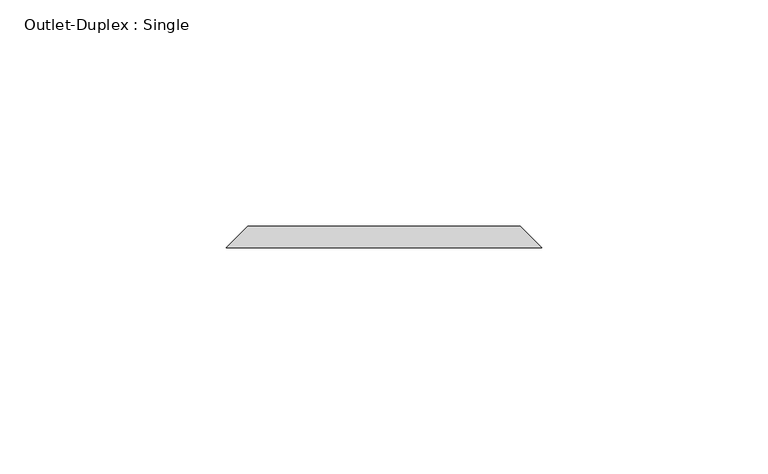
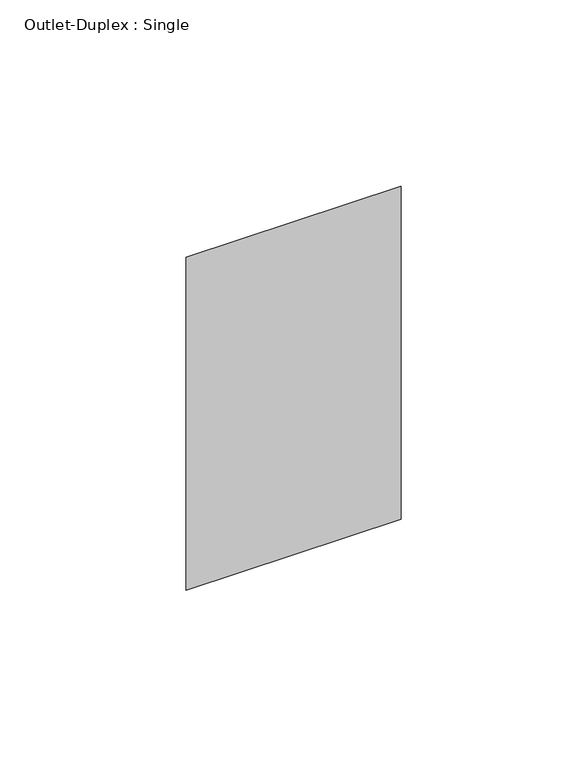
"""IFC4 building model written with IfcOpenShell, lengths in millimetres: proxy geometry, Outlet-Duplex : Single."""

from ifc_helpers import new_model, si_unit, origin, place, context, project, spatial, faceted_brep, source, transform, mapped, element, save


def outlet_duplex_single_37717675(model_context):
    return source(origin(), model_context, "Body", "Brep", [
        faceted_brep([(-30.1625, 68.2625, 357.1875), (30.1625, 68.2625, 357.1875), (30.1625, 68.2625, 252.4125), (-30.1625, 68.2625, 252.4125), (-34.925, 63.5, 361.95), (-34.925, 63.5, 247.65), (34.925, 63.5, 247.65), (34.925, 63.5, 361.95)], [[[0, 1, 2, 3]], [[4, 5, 6, 7]], [[4, 7, 1, 0]], [[7, 6, 2, 1]], [[6, 5, 3, 2]], [[5, 4, 0, 3]]]),
    ])


if __name__ == "__main__":
    model = new_model("IFC4")
    model_context = context("Model", 3, world=origin())
    ifc_project = project(units=[si_unit("LENGTHUNIT", "METRE", prefix="MILLI")], contexts=[model_context])
    site = spatial("IfcSite", under=ifc_project)
    building = spatial("IfcBuilding", under=site)
    placement = place(None, origin())
    outlet_duplex_single_shape = outlet_duplex_single_37717675(model_context)
    element("IfcBuildingElementProxy", 1, Name="Outlet-Duplex : Single", ObjectType="Outlet-Duplex : Single", at=placement, inside=building, context=model_context, shape_type="MappedRepresentation", body=[
        mapped(outlet_duplex_single_shape, transform((0.0, 0.0, 0.0), x_axis=(1.0, 0.0, 0.0), y_axis=(0.0, 1.0, 0.0), z_axis=(0.0, 0.0, 1.0))),
    ])
    save(model, "model.ifc")
